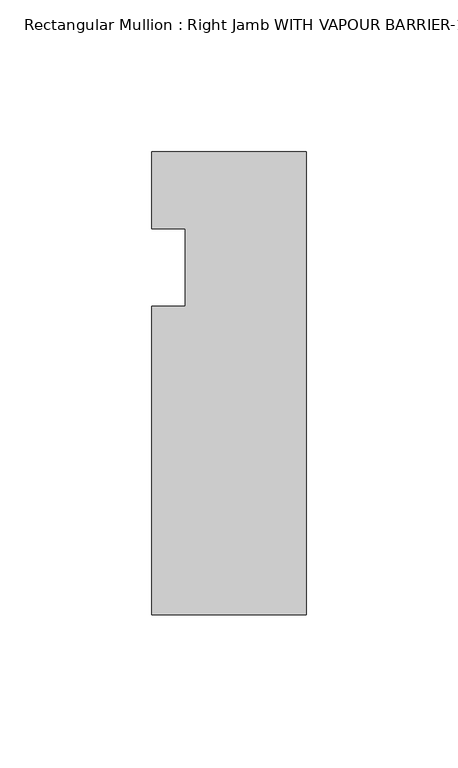
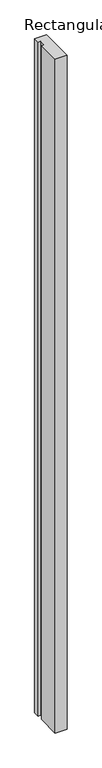
"""IFC4 building model written with IfcOpenShell, lengths in millimetres: member geometry."""

from ifc_helpers import new_model, si_unit, frame, origin, place, context, project, spatial, polyline, outline, extrude, source, transform, mapped, element, save


def member_8ca89d00(model_context):
    return source(origin(), model_context, "Body", "SweptSolid", [
        extrude(outline(polyline([(-50.8, -127.0), (-50.8, -25.4), (-39.8272, -25.4), (-39.8272, 0.0), (-50.8, 0.0), (-50.8, 25.4), (0.0, 25.4), (0.0, -127.0), (-50.8, -127.0)])), frame((0.0, 0.0, -3048.0), z_axis=(0.0, 0.0, 1.0), x_axis=(1.0, 0.0, 0.0)), (0.0, 0.0, 1.0), 3048.0),
    ])


if __name__ == "__main__":
    model = new_model("IFC4")
    model_context = context("Model", 3, world=origin())
    ifc_project = project(units=[si_unit("LENGTHUNIT", "METRE", prefix="MILLI")], contexts=[model_context])
    site = spatial("IfcSite", under=ifc_project)
    building = spatial("IfcBuilding", under=site)
    placement = place(None, origin())
    member_shape = member_8ca89d00(model_context)
    element("IfcMember", 1, ObjectType="Rectangular Mullion : Right Jamb WITH VAPOUR BARRIER-1/4\" INFILL-model 4", at=placement, inside=building, context=model_context, shape_type="MappedRepresentation", body=[
        mapped(member_shape, transform((0.0, 0.0, 0.0), x_axis=(1.0, 0.0, 0.0), y_axis=(0.0, 1.0, 0.0), z_axis=(0.0, 0.0, 1.0))),
    ])
    save(model, "model.ifc")
